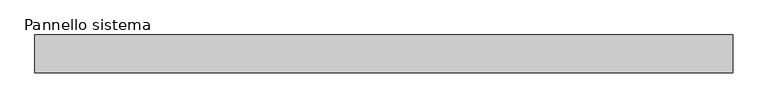
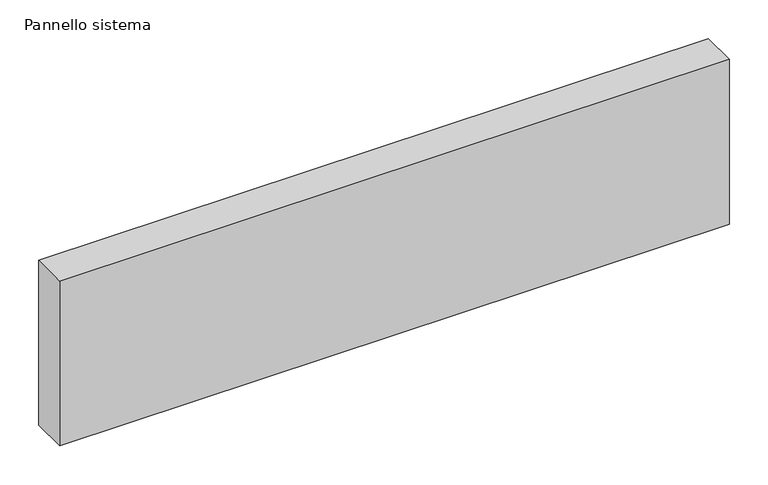
"""IFC4 building model written with IfcOpenShell, lengths in millimetres: plate geometry, Pannello sistema."""

from ifc_helpers import new_model, si_unit, origin, origin_with_axes, place, context, project, spatial, polyline, outline, extrude, source, transform, mapped, element, save


def pannello_sistema_8e37f2de(model_context):
    return source(origin(), model_context, "Body", "SweptSolid", [
        extrude(outline(polyline([(500.0, -27.0), (-500.0, -27.0), (-500.0, 27.0), (500.0, 27.0), (500.0, -27.0)])), origin_with_axes(), (0.0, 0.0, 1.0), 260.0),
    ])


if __name__ == "__main__":
    model = new_model("IFC4")
    model_context = context("Model", 3, world=origin())
    ifc_project = project(units=[si_unit("LENGTHUNIT", "METRE", prefix="MILLI")], contexts=[model_context])
    site = spatial("IfcSite", under=ifc_project)
    building = spatial("IfcBuilding", under=site)
    placement = place(None, origin())
    pannello_sistema_shape = pannello_sistema_8e37f2de(model_context)
    element("IfcPlate", 1, ObjectType="Pannello sistema", at=placement, inside=building, context=model_context, shape_type="MappedRepresentation", body=[
        mapped(pannello_sistema_shape, transform((0.0, 0.0, 0.0), x_axis=(1.0, 0.0, 0.0), y_axis=(0.0, 1.0, 0.0), z_axis=(0.0, 0.0, 1.0))),
    ])
    save(model, "model.ifc")
